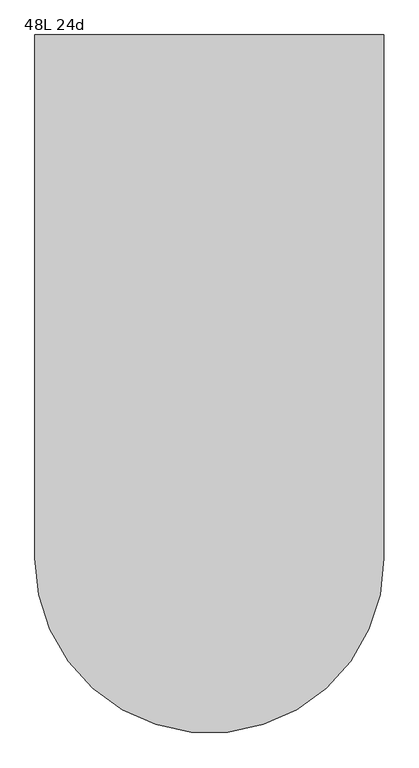
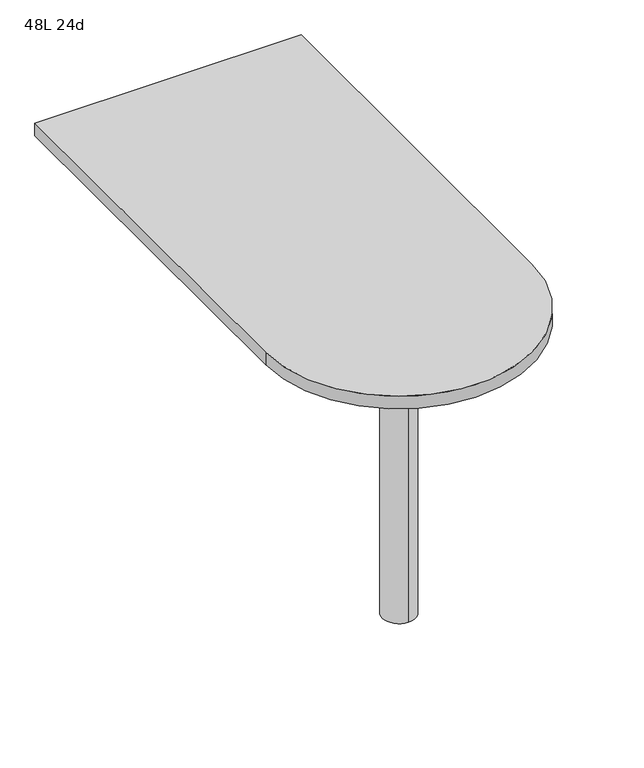
"""IFC4 building model written with IfcOpenShell, lengths in millimetres: furniture geometry, 48L 24d."""

from ifc_helpers import new_model, si_unit, point, frame, frame_2d, origin, place, context, project, spatial, polyline, circle_curve, trimmed, segment, composite_curve, outline, extrude, source, transform, mapped, element, save
from ifc_brep_helpers import plane_surface, cylinder_surface, advanced_brep


def furniture_48l_24d_ff946477(model_context):
    return source(origin(), model_context, "Body", "SolidModel", [
        advanced_brep(
        [(0.0, -266.7, 706.4375), (0.0, -342.9, 706.4375), (0.0, -304.8, 706.4375), (0.0, -266.7, 0.0), (0.0, -342.9, 0.0), (0.0, -304.8, 0.0)],
        [
            (0, 1, circle_curve(frame((0.0, -304.8, 706.4375), z_axis=(0.0, 0.0, 1.0), x_axis=(0.0, -1.0, 0.0)), 38.1)),
            (1, 2),
            (2, 0),
            (1, 0, circle_curve(frame((0.0, -304.8, 706.4375), z_axis=(0.0, 0.0, 1.0), x_axis=(0.0, -1.0, 0.0)), 38.1)),
            (3, 4, circle_curve(frame((0.0, -304.8, 0.0), z_axis=(0.0, 0.0, 1.0), x_axis=(0.0, -1.0, 0.0)), 38.1)),
            (4, 1),
            (0, 3),
            (4, 3, circle_curve(frame((0.0, -304.8, 0.0), z_axis=(0.0, 0.0, 1.0), x_axis=(0.0, -1.0, 0.0)), 38.1)),
            (5, 4),
            (3, 5),
        ],
        [
            plane_surface(frame((0.0, -304.8, 706.4375), z_axis=(0.0, 0.0, 1.0), x_axis=(0.0, -1.0, 0.0))),
            cylinder_surface(frame((0.0, -304.8, 889.623257), z_axis=(0.0, 0.0, -1.0), x_axis=(0.0, -1.0, 0.0)), 38.1),
            plane_surface(frame((0.0, -304.8, 0.0), z_axis=(0.0, 0.0, -1.0), x_axis=(0.0, -1.0, 0.0))),
        ],
        [
            (0, [[1, 2, 3]]),
            (0, [[4, -3, -2]]),
            (1, [[5, 6, -1, 7]]),
            (1, [[8, -7, -4, -6]]),
            (2, [[9, -5, 10]]),
            (2, [[-10, -8, -9]]),
        ],
    ),
        extrude(outline(composite_curve([segment(polyline([(-304.8, -304.8), (-304.8, 609.6), (304.8, 609.6), (304.8, -304.8)]), True, "CONTINUOUS"), segment(trimmed(circle_curve(frame_2d((0.0, -304.8)), 304.8), [point((304.8, -304.8))], [point((-304.8, -304.8))], False, "CARTESIAN"), True, "CONTINUOUS")], self_intersect=False)), frame((0.0, 0.0, 706.4375), z_axis=(0.0, 0.0, 1.0), x_axis=(1.0, 0.0, 0.0)), (0.0, 0.0, 1.0), 30.1625),
    ])


if __name__ == "__main__":
    model = new_model("IFC4")
    model_context = context("Model", 3, world=origin())
    ifc_project = project(units=[si_unit("LENGTHUNIT", "METRE", prefix="MILLI")], contexts=[model_context])
    site = spatial("IfcSite", under=ifc_project)
    building = spatial("IfcBuilding", under=site)
    placement = place(None, origin())
    furniture_48l_24d_shape = furniture_48l_24d_ff946477(model_context)
    element("IfcFurniture", 1, ObjectType="48L 24d", at=placement, inside=building, context=model_context, shape_type="MappedRepresentation", body=[
        mapped(furniture_48l_24d_shape, transform((0.0, 0.0, 0.0), x_axis=(1.0, 0.0, 0.0), y_axis=(0.0, 1.0, 0.0), z_axis=(0.0, 0.0, 1.0))),
    ])
    save(model, "model.ifc")
